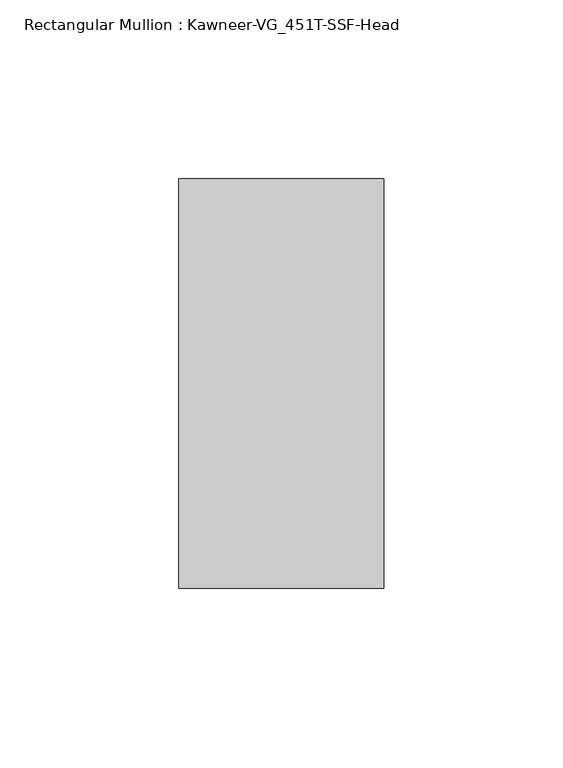
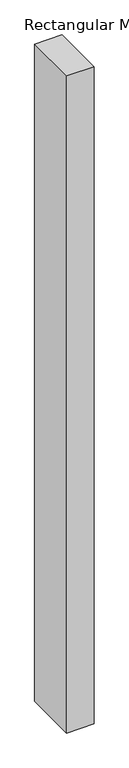
"""IFC4 building model written with IfcOpenShell, lengths in millimetres: member geometry, Rectangular Mullion : Kawneer-VG_451T-SSF-Head."""

from ifc_helpers import new_model, si_unit, frame, origin, place, context, project, spatial, polyline, outline, extrude, source, transform, mapped, element, save


def rectangular_mullion_kawneer_vg_451t_ssf_head_1aaa4fa9(model_context):
    return source(origin(), model_context, "Body", "SweptSolid", [
        extrude(outline(polyline([(-57.15, -57.15), (-57.15, 57.15), (0.0, 57.15), (0.0, -57.15), (-57.15, -57.15)])), frame((0.0, 0.0, -1441.45), z_axis=(0.0, 0.0, 1.0), x_axis=(1.0, 0.0, 0.0)), (0.0, 0.0, 1.0), 1441.45),
    ])


if __name__ == "__main__":
    model = new_model("IFC4")
    model_context = context("Model", 3, world=origin())
    ifc_project = project(units=[si_unit("LENGTHUNIT", "METRE", prefix="MILLI")], contexts=[model_context])
    site = spatial("IfcSite", under=ifc_project)
    building = spatial("IfcBuilding", under=site)
    placement = place(None, origin())
    rectangular_mullion_kawneer_vg_451t_ssf_head_shape = rectangular_mullion_kawneer_vg_451t_ssf_head_1aaa4fa9(model_context)
    element("IfcMember", 1, ObjectType="Rectangular Mullion : Kawneer-VG_451T-SSF-Head", at=placement, inside=building, context=model_context, shape_type="MappedRepresentation", body=[
        mapped(rectangular_mullion_kawneer_vg_451t_ssf_head_shape, transform((0.0, 0.0, 0.0), x_axis=(1.0, 0.0, 0.0), y_axis=(0.0, 1.0, 0.0), z_axis=(0.0, 0.0, 1.0))),
    ])
    save(model, "model.ifc")
